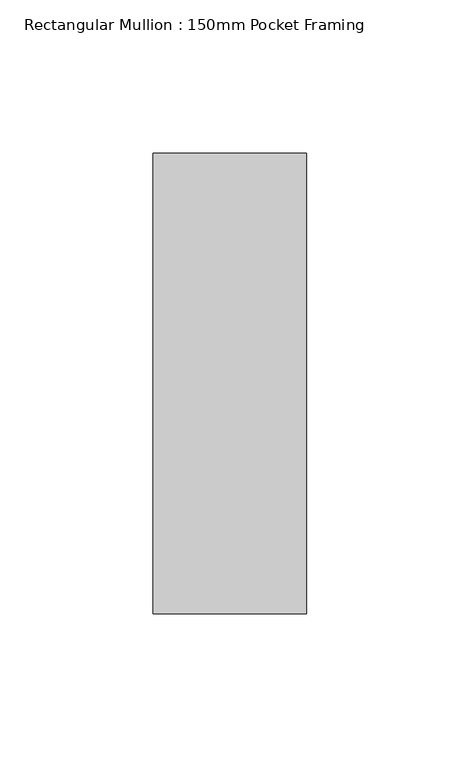
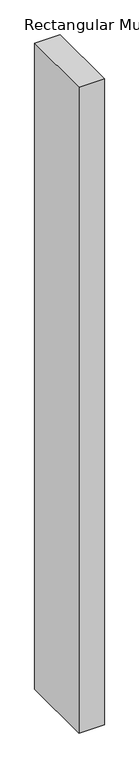
"""IFC4 building model written with IfcOpenShell, lengths in millimetres: member geometry, Rectangular Mullion : 150mm Pocket Framing."""

from ifc_helpers import new_model, si_unit, frame, origin, place, context, project, spatial, polyline, outline, extrude, source, transform, mapped, element, save


def rectangular_mullion_150mm_pocket_framing_5065c234(model_context):
    return source(origin(), model_context, "Body", "SweptSolid", [
        extrude(outline(polyline([(25.0, 75.0), (25.0, -75.0), (-25.0, -75.0), (-25.0, 75.0), (25.0, 75.0)])), frame((0.0, 0.0, -1340.0), z_axis=(0.0, 0.0, 1.0), x_axis=(1.0, 0.0, 0.0)), (0.0, 0.0, 1.0), 1340.0),
    ])


if __name__ == "__main__":
    model = new_model("IFC4")
    model_context = context("Model", 3, world=origin())
    ifc_project = project(units=[si_unit("LENGTHUNIT", "METRE", prefix="MILLI")], contexts=[model_context])
    site = spatial("IfcSite", under=ifc_project)
    building = spatial("IfcBuilding", under=site)
    placement = place(None, origin())
    rectangular_mullion_150mm_pocket_framing_shape = rectangular_mullion_150mm_pocket_framing_5065c234(model_context)
    element("IfcMember", 1, ObjectType="Rectangular Mullion : 150mm Pocket Framing", at=placement, inside=building, context=model_context, shape_type="MappedRepresentation", body=[
        mapped(rectangular_mullion_150mm_pocket_framing_shape, transform((0.0, 0.0, 0.0), x_axis=(1.0, 0.0, 0.0), y_axis=(0.0, 1.0, 0.0), z_axis=(0.0, 0.0, 1.0))),
    ])
    save(model, "model.ifc")
